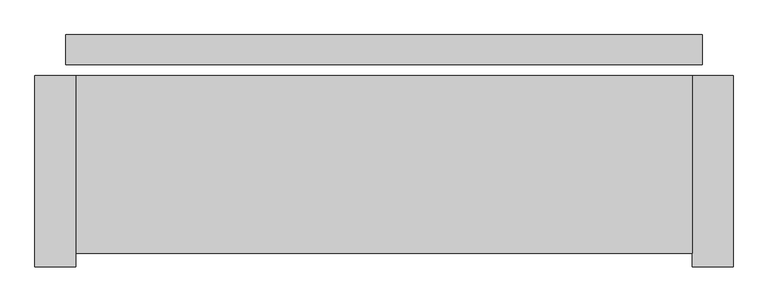
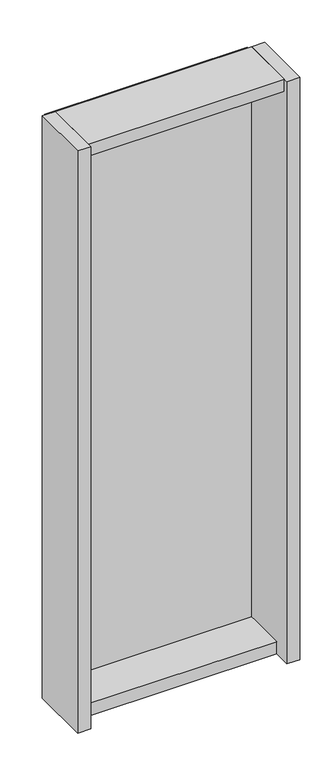
"""IFC4 building model written with IfcOpenShell, lengths in millimetres: plate geometry."""

import ifcopenshell
import ifcopenshell.guid

model = None  # the IFC model being written
_history = None  # IfcOwnerHistory: only IFC2X3 demands one
_inside = {}  # id of a spatial element -> (the spatial element, [elements in it])
_under = {}  # id of a project, library or spatial element -> (it, [spatial elements below it])
_declared = {}  # id of a project -> (the project, [libraries it declares])
_typed = {}  # id of a type object -> (the type object, [elements of that type])
_made_of = {}  # id of a material, layer set ... -> (it, [elements and type objects made of it])


def new_model(schema):
    """Start an empty IFC model of exactly this schema.

    Asked for "IFC4X3", IfcOpenShell would pick the latest addendum, in which some entities
    have other attributes; the version numbers below select the first issue.
    IFC2X3 requires an IfcOwnerHistory on every rooted entity: one is made here for all.
    """
    global model, _history
    if schema == "IFC4X3":
        model = ifcopenshell.file(schema_version=(4, 3, 0, 0))
    else:
        model = ifcopenshell.file(schema=schema)
    _inside.clear()
    _under.clear()
    _declared.clear()
    _typed.clear()
    _made_of.clear()
    _history = None
    if model.schema == "IFC2X3":
        org = make("IfcOrganization", Name="unknown")
        user = make(
            "IfcPersonAndOrganization",
            ThePerson=make("IfcPerson", FamilyName="unknown"),
            TheOrganization=org,
        )
        app = make(
            "IfcApplication",
            ApplicationDeveloper=org,
            Version="unknown",
            ApplicationFullName="unknown",
            ApplicationIdentifier="unknown",
        )
        _history = make(
            "IfcOwnerHistory",
            OwningUser=user,
            OwningApplication=app,
            ChangeAction="ADDED",
            CreationDate=0,
        )
    return model


def make(cls, **values):
    """One entity of the class cls with the attributes given. An attribute that is None is left unset."""
    return model.create_entity(
        cls, **{name: value for name, value in values.items() if value is not None}
    )


def rooted(cls, **values):
    """An entity with a GlobalId (a new one), such as an element, a storey or a relation."""
    return make(cls, GlobalId=ifcopenshell.guid.new(), OwnerHistory=_history, **values)


def si_unit(unit_type, name, prefix=None):
    """IfcSIUnit, for example si_unit("LENGTHUNIT", "METRE", prefix="MILLI")."""
    return make("IfcSIUnit", UnitType=unit_type, Prefix=prefix, Name=name)


def assignment(units):
    """IfcUnitAssignment: the units of a project."""
    return None if units is None else make("IfcUnitAssignment", Units=units)


def point(xyz):
    """IfcCartesianPoint."""
    return None if xyz is None else make("IfcCartesianPoint", Coordinates=xyz)


def direction(xyz):
    """IfcDirection."""
    return None if xyz is None else make("IfcDirection", DirectionRatios=xyz)


def frame(location, z_axis=None, x_axis=None):
    """IfcAxis2Placement3D, a coordinate frame: its origin and axes. An axis left out is left unset."""
    return make(
        "IfcAxis2Placement3D",
        Location=point(location),
        Axis=direction(z_axis),
        RefDirection=direction(x_axis),
    )


def origin():
    """The frame at (0, 0, 0) with its axes left unset."""
    return frame((0.0, 0.0, 0.0))


def origin_with_axes():
    """The frame at (0, 0, 0) with the z axis (0, 0, 1) and the x axis (1, 0, 0) written out."""
    return frame((0.0, 0.0, 0.0), z_axis=(0.0, 0.0, 1.0), x_axis=(1.0, 0.0, 0.0))


def place(relative_to, where):
    """IfcLocalPlacement: puts the frame where relative to a parent placement (None: the world)."""
    return make(
        "IfcLocalPlacement", PlacementRelTo=relative_to, RelativePlacement=where
    )


def context(
    kind, dimensions, precision=None, world=None, true_north=None, identifier=None
):
    """IfcGeometricRepresentationContext, for example the 3D "Model" context."""
    return make(
        "IfcGeometricRepresentationContext",
        ContextIdentifier=identifier,
        ContextType=kind,
        CoordinateSpaceDimension=dimensions,
        Precision=precision,
        WorldCoordinateSystem=world,
        TrueNorth=true_north,
    )


def project(units=None, contexts=None):
    """IfcProject with its units and contexts."""
    return rooted(
        "IfcProject",
        Name="project",
        RepresentationContexts=contexts,
        UnitsInContext=assignment(units),
    )


def spatial(cls, under=None, at=None, **own):
    """A site, building, storey or space (cls), placed at a placement, below another one or the project."""
    s = rooted(cls, ObjectPlacement=at, **own)
    if under is not None:
        _under.setdefault(under.id(), (under, []))[1].append(s)
    return s


def polyline(points):
    """IfcPolyline through the points."""
    return make("IfcPolyline", Points=[point(p) for p in points])


def outline(outer, holes=None, kind="AREA"):
    """IfcArbitraryClosedProfileDef: a profile drawn as a closed curve; with holes, ...WithVoids."""
    if holes is None:
        return make("IfcArbitraryClosedProfileDef", ProfileType=kind, OuterCurve=outer)
    return make(
        "IfcArbitraryProfileDefWithVoids",
        ProfileType=kind,
        OuterCurve=outer,
        InnerCurves=holes,
    )


def extrude(swept, where, along, depth):
    """IfcExtrudedAreaSolid: the profile swept, set in the frame where, extruded along a direction by depth."""
    return make(
        "IfcExtrudedAreaSolid",
        SweptArea=swept,
        Position=where,
        ExtrudedDirection=direction(along),
        Depth=depth,
    )


def shape(context_of_items, identifier, shape_type, items):
    """IfcShapeRepresentation: the items that make up one representation, for example the "Body"."""
    return make(
        "IfcShapeRepresentation",
        ContextOfItems=context_of_items,
        RepresentationIdentifier=identifier,
        RepresentationType=shape_type,
        Items=items,
    )


def source(mapping_origin, context_of_items, identifier, shape_type, items):
    """IfcRepresentationMap: a shape defined once, which mapped items show again and again."""
    return make(
        "IfcRepresentationMap",
        MappingOrigin=mapping_origin,
        MappedRepresentation=shape(context_of_items, identifier, shape_type, items),
    )


def transform(
    local_origin,
    x_axis=None,
    y_axis=None,
    z_axis=None,
    scale=None,
    scale2=None,
    scale3=None,
    uniform=True,
):
    """IfcCartesianTransformationOperator3D, or its non-uniform kind. x_axis, y_axis, z_axis: its Axis1, 2, 3."""
    if uniform:
        return make(
            "IfcCartesianTransformationOperator3D",
            Axis1=direction(x_axis),
            Axis2=direction(y_axis),
            LocalOrigin=point(local_origin),
            Scale=scale,
            Axis3=direction(z_axis),
        )
    return make(
        "IfcCartesianTransformationOperator3DnonUniform",
        Axis1=direction(x_axis),
        Axis2=direction(y_axis),
        LocalOrigin=point(local_origin),
        Scale=scale,
        Axis3=direction(z_axis),
        Scale2=scale2,
        Scale3=scale3,
    )


def mapped(mapping_source, mapping_target):
    """IfcMappedItem: shows the shape of a source again, moved by a transform."""
    return make(
        "IfcMappedItem", MappingSource=mapping_source, MappingTarget=mapping_target
    )


def made_of(thing, what):
    """Note that an element or type object is made of a material, layer set ...; save() writes the relation."""
    if what is not None:
        _made_of.setdefault(what.id(), (what, []))[1].append(thing)
    return thing


def element(
    cls,
    number,
    at=None,
    inside=None,
    cuts=None,
    type_object=None,
    material=None,
    context=None,
    identifier="Body",
    shape_type=None,
    held_by="IfcProductDefinitionShape",
    body=None,
    shapes=None,
    **own,
):
    """One element of the class cls, such as IfcWall. Its Tag is "e" and its number.

    at: its placement. inside: the storey or other place that contains it. cuts: it is an
    opening in that element (IfcRelVoidsElement). A single representation is given by context,
    identifier, shape_type and body (its items); several are given by shapes. held_by: the class
    of the entity that holds the representations. save() writes the other relations.
    """
    e = rooted(cls, Tag="e%d" % number, ObjectPlacement=at, **own)
    if body is not None:
        shapes = [shape(context, identifier, shape_type, body)]
    if shapes is not None:
        e.Representation = make(held_by, Representations=shapes)
    if inside is not None:
        _inside.setdefault(inside.id(), (inside, []))[1].append(e)
    if cuts is not None:
        rooted(
            "IfcRelVoidsElement", RelatingBuildingElement=cuts, RelatedOpeningElement=e
        )
    if type_object is not None:
        _typed.setdefault(type_object.id(), (type_object, []))[1].append(e)
    return made_of(e, material)


def aggregate(whole, parts):
    """IfcRelAggregates: a whole, such as a stair, and the parts it consists of."""
    return rooted("IfcRelAggregates", RelatingObject=whole, RelatedObjects=parts)


def save(model, path):
    """Write the relations noted so far, then the file.

    IfcRelAggregates (storeys below a building ...), IfcRelContainedInSpatialStructure (elements
    in a storey), IfcRelDefinesByType, IfcRelAssociatesMaterial and IfcRelDeclares: one each for
    every whole, place, type object, material and project.
    """
    for whole, parts in _under.values():
        aggregate(whole, parts)
    for where, things in _inside.values():
        rooted(
            "IfcRelContainedInSpatialStructure",
            RelatedElements=things,
            RelatingStructure=where,
        )
    for kind, things in _typed.values():
        rooted("IfcRelDefinesByType", RelatedObjects=things, RelatingType=kind)
    for what, things in _made_of.values():
        rooted("IfcRelAssociatesMaterial", RelatedObjects=things, RelatingMaterial=what)
    for by, libraries in _declared.values():
        rooted("IfcRelDeclares", RelatingContext=by, RelatedDefinitions=libraries)
    model.write(path)


def plate_cfcaa34e(model_context):
    return source(origin(), model_context, "Body", "SweptSolid", [
        extrude(outline(polyline([(466.0, 0.0), (466.0, -44.0), (-466.0, -44.0), (-466.0, 0.0), (466.0, 0.0)])), origin_with_axes(), (0.0, 0.0, 1.0), 2742.0),
        extrude(outline(polyline([(-451.0, -60.0), (-451.0, -340.0), (-511.0, -340.0), (-511.0, -60.0), (-451.0, -60.0)])), frame((0.0, 0.0, -45.0), z_axis=(0.0, 0.0, 1.0), x_axis=(1.0, 0.0, 0.0)), (0.0, 0.0, 1.0), 2832.0),
        extrude(outline(polyline([(451.0, -260.0), (-451.0, -260.0), (-451.0, -60.0), (451.0, -60.0), (451.0, -260.0)])), frame((0.0, 0.0, -45.0), z_axis=(0.0, 0.0, 1.0), x_axis=(1.0, 0.0, 0.0)), (0.0, 0.0, 1.0), 60.0),
        extrude(outline(polyline([(451.0, -60.0), (451.0, -320.0), (-451.0, -320.0), (-451.0, -60.0), (451.0, -60.0)])), frame((0.0, 0.0, 2727.0), z_axis=(0.0, 0.0, 1.0), x_axis=(1.0, 0.0, 0.0)), (0.0, 0.0, 1.0), 60.0),
        extrude(outline(polyline([(511.0, -60.0), (511.0, -340.0), (451.0, -340.0), (451.0, -60.0), (511.0, -60.0)])), frame((0.0, 0.0, -45.0), z_axis=(0.0, 0.0, 1.0), x_axis=(1.0, 0.0, 0.0)), (0.0, 0.0, 1.0), 2832.0),
    ])


if __name__ == "__main__":
    model = new_model("IFC4")
    model_context = context("Model", 3, world=origin())
    ifc_project = project(units=[si_unit("LENGTHUNIT", "METRE", prefix="MILLI")], contexts=[model_context])
    site = spatial("IfcSite", under=ifc_project)
    building = spatial("IfcBuilding", under=site)
    placement = place(None, origin())
    plate_shape = plate_cfcaa34e(model_context)
    element("IfcPlate", 1, at=placement, inside=building, context=model_context, shape_type="MappedRepresentation", body=[
        mapped(plate_shape, transform((0.0, 0.0, 0.0), x_axis=(1.0, 0.0, 0.0), y_axis=(0.0, 1.0, 0.0), z_axis=(0.0, 0.0, 1.0))),
    ])
    save(model, "model.ifc")
